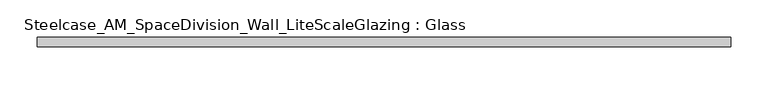
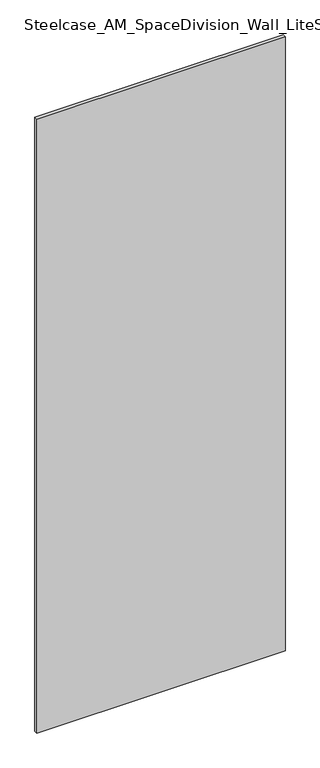
"""IFC4 building model written with IfcOpenShell, lengths in millimetres: plate geometry, Steelcase_AM_SpaceDivision_Wall_LiteScaleGlazing : Glass."""

from ifc_helpers import new_model, si_unit, origin, origin_with_axes, place, context, project, spatial, polyline, outline, extrude, source, transform, mapped, element, save


def steelcase_am_spacedivision_wall_litescaleglazing_glass_f1e03cf9(model_context):
    return source(origin(), model_context, "Body", "SweptSolid", [
        extrude(outline(polyline([(-463.5286002, -6.349956), (-463.5286002, 6.3502015), (463.5286002, 6.3502015), (463.5286002, -6.349956), (-463.5286002, -6.349956)])), origin_with_axes(), (0.0, 0.0, 1.0), 2424.684),
    ])


if __name__ == "__main__":
    model = new_model("IFC4")
    model_context = context("Model", 3, world=origin())
    ifc_project = project(units=[si_unit("LENGTHUNIT", "METRE", prefix="MILLI")], contexts=[model_context])
    site = spatial("IfcSite", under=ifc_project)
    building = spatial("IfcBuilding", under=site)
    placement = place(None, origin())
    steelcase_am_spacedivision_wall_litescaleglazing_glass_shape = steelcase_am_spacedivision_wall_litescaleglazing_glass_f1e03cf9(model_context)
    element("IfcPlate", 1, ObjectType="Steelcase_AM_SpaceDivision_Wall_LiteScaleGlazing : Glass", at=placement, inside=building, context=model_context, shape_type="MappedRepresentation", body=[
        mapped(steelcase_am_spacedivision_wall_litescaleglazing_glass_shape, transform((0.0, 0.0, 0.0), x_axis=(1.0, 0.0, 0.0), y_axis=(0.0, 1.0, 0.0), z_axis=(0.0, 0.0, 1.0))),
    ])
    save(model, "model.ifc")
